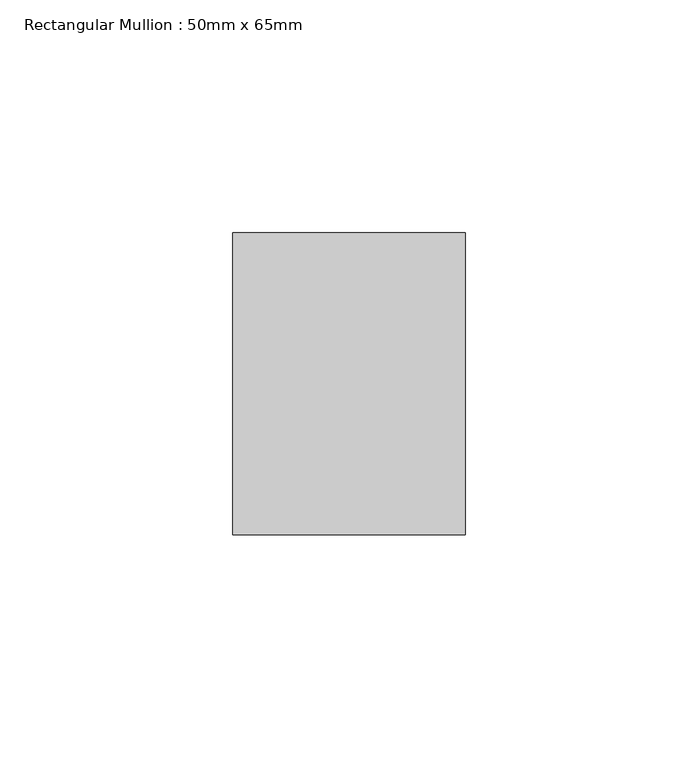
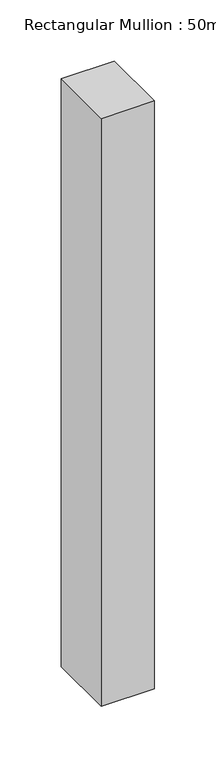
"""IFC4 building model written with IfcOpenShell, lengths in millimetres: member geometry, Rectangular Mullion : 50mm x 65mm."""

from ifc_helpers import new_model, si_unit, frame, origin, place, context, project, spatial, polyline, outline, extrude, source, transform, mapped, element, save


def rectangular_mullion_50mm_x_65mm_1b88a295(model_context):
    return source(origin(), model_context, "Body", "SweptSolid", [
        extrude(outline(polyline([(25.0, 32.5), (25.0, -32.5), (-25.0, -32.5), (-25.0, 32.5), (25.0, 32.5)])), frame((0.0, 0.0, -585.2035996), z_axis=(0.0, 0.0, 1.0), x_axis=(1.0, 0.0, 0.0)), (0.0, 0.0, 1.0), 585.2035996),
    ])


if __name__ == "__main__":
    model = new_model("IFC4")
    model_context = context("Model", 3, world=origin())
    ifc_project = project(units=[si_unit("LENGTHUNIT", "METRE", prefix="MILLI")], contexts=[model_context])
    site = spatial("IfcSite", under=ifc_project)
    building = spatial("IfcBuilding", under=site)
    placement = place(None, origin())
    rectangular_mullion_50mm_x_65mm_shape = rectangular_mullion_50mm_x_65mm_1b88a295(model_context)
    element("IfcMember", 1, ObjectType="Rectangular Mullion : 50mm x 65mm", at=placement, inside=building, context=model_context, shape_type="MappedRepresentation", body=[
        mapped(rectangular_mullion_50mm_x_65mm_shape, transform((0.0, 0.0, 0.0), x_axis=(1.0, 0.0, 0.0), y_axis=(0.0, 1.0, 0.0), z_axis=(0.0, 0.0, 1.0))),
    ])
    save(model, "model.ifc")
